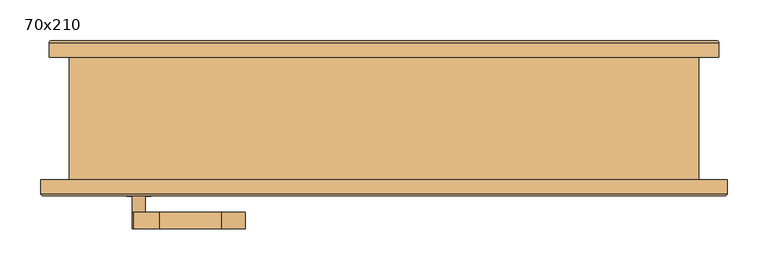
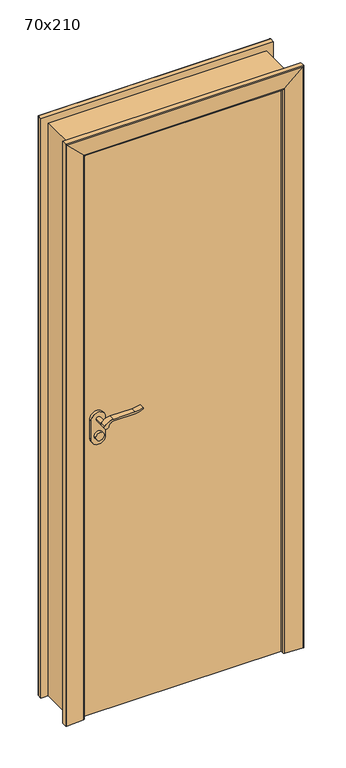
"""IFC4 building model written with IfcOpenShell, lengths in millimetres: door geometry, 70x210."""

from ifc_helpers import new_model, si_unit, point, frame, frame_2d, origin, origin_with_axes, place, context, project, spatial, polyline, circle_curve, ellipse_curve, trimmed, segment, composite_curve, outline, extrude, faceted_brep, source, transform, mapped, element, save
from ifc_brep_helpers import plane_surface, cylinder_surface, advanced_brep


def door_70x210_f9eeb151(model_context):
    return source(origin(), model_context, "Body", "SolidModel", [
        extrude(outline(composite_curve([segment(trimmed(circle_curve(frame_2d((1040.0, -300.0)), 15.0), [point((1040.0, -285.0))], [point((1040.0, -315.0))], False, "CARTESIAN"), True, "CONTINUOUS"), segment(trimmed(circle_curve(frame_2d((1040.0, -300.0)), 15.0), [point((1040.0, -315.0))], [point((1040.0, -285.0))], False, "CARTESIAN"), True, "CONTINUOUS")], self_intersect=False)), frame((0.0, -30.0, 0.0), z_axis=(0.0, 1.0, 0.0), x_axis=(0.0, 0.0, 1.0)), (0.0, 0.0, 1.0), 10.0),
        extrude(outline(composite_curve([segment(trimmed(circle_curve(frame_2d((1040.0, -300.0)), 15.0), [point((1040.0, -285.0))], [point((1040.0, -315.0))], False, "CARTESIAN"), True, "CONTINUOUS"), segment(trimmed(circle_curve(frame_2d((1040.0, -300.0)), 15.0), [point((1040.0, -315.0))], [point((1040.0, -285.0))], False, "CARTESIAN"), True, "CONTINUOUS")], self_intersect=False)), frame((0.0, -95.0, 0.0), z_axis=(0.0, 1.0, 0.0), x_axis=(0.0, 0.0, 1.0)), (0.0, 0.0, 1.0), 10.0),
        extrude(outline(composite_curve([segment(trimmed(circle_curve(frame_2d((1100.0, -300.0)), 8.0), [point((1104.6523287, -306.5081363))], [point((1100.0, -292.0))], False, "CARTESIAN"), True, "CONTINUOUS"), segment(trimmed(circle_curve(frame_2d((1094.8738613, -274.6138099)), 18.1261387), [point((1100.0, -292.0))], [point((1113.0, -274.6138099))], True, "CARTESIAN"), True, "CONTINUOUS"), segment(polyline([(1113.0, -274.6138099), (1113.0, -198.3564091)]), True, "CONTINUOUS"), segment(trimmed(circle_curve(frame_2d((1172.2709207, -201.9396612)), 59.3791355), [point((1113.0, -198.3564091))], [point((1122.2135558, -170.0))], False, "CARTESIAN"), True, "CONTINUOUS"), segment(polyline([(1122.2135558, -170.0), (1125.0, -170.0)]), True, "CONTINUOUS"), segment(trimmed(circle_curve(frame_2d((1203.2850638, -198.4227909)), 83.2850902), [point((1125.0, -170.0))], [point((1120.0, -198.3564091))], True, "CARTESIAN"), True, "CONTINUOUS"), segment(polyline([(1120.0, -198.3564091), (1120.0, -274.6325667)]), True, "CONTINUOUS"), segment(trimmed(circle_curve(frame_2d((1082.7555521, -276.3324871)), 37.2832219), [point((1120.0, -274.6325667))], [point((1104.6523287, -306.5081363))], False, "CARTESIAN"), True, "CONTINUOUS")], self_intersect=False)), frame((0.0, 0.0, 0.0), z_axis=(0.0, 1.0, 0.0), x_axis=(0.0, 0.0, 1.0)), (0.0, 0.0, 1.0), 20.0),
        extrude(outline(composite_curve([segment(trimmed(circle_curve(frame_2d((1094.8738682, -274.6138122)), 18.1261318), [point((1099.9999903, -292.0))], [point((1113.0, -274.6138122))], True, "CARTESIAN"), True, "CONTINUOUS"), segment(polyline([(1113.0, -274.6138122), (1113.0, -198.3564091)]), True, "CONTINUOUS"), segment(trimmed(circle_curve(frame_2d((1172.2709207, -201.9396612)), 59.3791355), [point((1113.0, -198.3564091))], [point((1122.2135558, -170.0))], False, "CARTESIAN"), True, "CONTINUOUS"), segment(polyline([(1122.2135558, -170.0), (1125.0, -170.0)]), True, "CONTINUOUS"), segment(trimmed(circle_curve(frame_2d((1203.2850638, -198.4227909)), 83.2850902), [point((1125.0, -170.0))], [point((1120.0, -198.3564091))], True, "CARTESIAN"), True, "CONTINUOUS"), segment(polyline([(1120.0, -198.3564091), (1120.0, -274.6325667)]), True, "CONTINUOUS"), segment(trimmed(circle_curve(frame_2d((1082.7555521, -276.3324871)), 37.2832219), [point((1120.0, -274.6325667))], [point((1104.6523287, -306.5081363))], False, "CARTESIAN"), True, "CONTINUOUS"), segment(trimmed(circle_curve(frame_2d((1100.0, -300.0)), 8.0), [point((1104.6523287, -306.5081363))], [point((1099.9999903, -292.0))], False, "CARTESIAN"), True, "CONTINUOUS")], self_intersect=False)), frame((0.0, -135.0, 0.0), z_axis=(0.0, 1.0, 0.0), x_axis=(0.0, 0.0, 1.0)), (0.0, 0.0, 1.0), 20.0),
        extrude(outline(composite_curve([segment(trimmed(circle_curve(frame_2d((1100.0, -300.0)), 8.0), [point((1100.0, -292.0))], [point((1100.0, -308.0))], False, "CARTESIAN"), True, "CONTINUOUS"), segment(trimmed(circle_curve(frame_2d((1100.0, -300.0)), 8.0), [point((1100.0, -308.0))], [point((1100.0, -292.0))], False, "CARTESIAN"), True, "CONTINUOUS")], self_intersect=False)), frame((0.0, -30.0, 0.0), z_axis=(0.0, 1.0, 0.0), x_axis=(0.0, 0.0, 1.0)), (0.0, 0.0, 1.0), 30.0),
        extrude(outline(composite_curve([segment(trimmed(circle_curve(frame_2d((1100.0, -300.0)), 8.0), [point((1100.0, -292.0))], [point((1100.0, -308.0))], False, "CARTESIAN"), True, "CONTINUOUS"), segment(trimmed(circle_curve(frame_2d((1100.0, -300.0)), 8.0), [point((1100.0, -308.0))], [point((1100.0, -292.0))], False, "CARTESIAN"), True, "CONTINUOUS")], self_intersect=False)), frame((0.0, -115.0, 0.0), z_axis=(0.0, 1.0, 0.0), x_axis=(0.0, 0.0, 1.0)), (0.0, 0.0, 1.0), 30.0),
        extrude(outline(composite_curve([segment(trimmed(circle_curve(frame_2d((1030.0, -300.0)), 25.0), [point((1030.0, -325.0))], [point((1030.0, -275.0))], False, "CARTESIAN"), True, "CONTINUOUS"), segment(polyline([(1030.0, -275.0), (1100.0, -275.0)]), True, "CONTINUOUS"), segment(trimmed(circle_curve(frame_2d((1100.0, -300.0)), 25.0), [point((1100.0, -275.0))], [point((1100.0, -325.0))], False, "CARTESIAN"), True, "CONTINUOUS"), segment(polyline([(1100.0, -325.0), (1030.0, -325.0)]), True, "CONTINUOUS")], self_intersect=False)), frame((0.0, -40.0, 0.0), z_axis=(0.0, 1.0, 0.0), x_axis=(0.0, 0.0, 1.0)), (0.0, 0.0, 1.0), 10.0),
        extrude(outline(composite_curve([segment(trimmed(circle_curve(frame_2d((1030.0, -300.0)), 25.0), [point((1030.0, -325.0))], [point((1030.0, -275.0))], False, "CARTESIAN"), True, "CONTINUOUS"), segment(polyline([(1030.0, -275.0), (1100.0, -275.0)]), True, "CONTINUOUS"), segment(trimmed(circle_curve(frame_2d((1100.0, -300.0)), 25.0), [point((1100.0, -275.0))], [point((1100.0, -325.0))], False, "CARTESIAN"), True, "CONTINUOUS"), segment(polyline([(1100.0, -325.0), (1030.0, -325.0)]), True, "CONTINUOUS")], self_intersect=False)), frame((0.0, -85.0, 0.0), z_axis=(0.0, 1.0, 0.0), x_axis=(0.0, 0.0, 1.0)), (0.0, 0.0, 1.0), 10.0),
        extrude(outline(polyline([(350.0, -40.0), (350.0, -75.0), (-350.0, -75.0), (-350.0, -40.0), (350.0, -40.0)])), origin_with_axes(), (0.0, 0.0, 1.0), 2100.0),
        advanced_brep(
        [(410.0, 75.0, 0.0), (340.0, 75.0, 0.0), (340.0, 85.0, 0.0), (345.0, 90.0, 0.0), (407.3082588, 94.792943, 0.0), (410.0, 92.3003068, 0.0), (410.0, 75.0, 2160.0), (-410.0, 75.0, 2160.0), (-410.0, 75.0, 0.0), (-340.0, 75.0, 0.0), (-340.0, 75.0, 2090.0), (340.0, 75.0, 2090.0), (340.0, 85.0, 2090.0), (345.0, 90.0, 2095.0), (407.3082588, 94.792943, 2157.3082588), (410.0, 92.3003068, 2160.0), (-410.0, 92.3003068, 2160.0), (-410.0, 92.3003068, 0.0), (-407.3082588, 94.792943, 0.0), (-345.0, 90.0, 0.0), (-340.0, 85.0, 0.0), (-340.0, 85.0, 2090.0), (-407.3082588, 94.792943, 2157.3082588), (-345.0, 90.0, 2095.0)],
        [
            (0, 1),
            (1, 2),
            (2, 3, circle_curve(frame((345.0, 85.0, 0.0), z_axis=(0.0, 0.0, -1.0), x_axis=(0.0, 1.0, 0.0)), 5.0)),
            (3, 4),
            (4, 5, circle_curve(frame((407.5, 92.3003068, 0.0), z_axis=(0.0, 0.0, -1.0), x_axis=(0.0, 1.0, 0.0)), 2.5)),
            (5, 0),
            (0, 6),
            (6, 7),
            (7, 8),
            (8, 9),
            (9, 10),
            (10, 11),
            (11, 1),
            (11, 12),
            (12, 2),
            (12, 13, ellipse_curve(frame((345.0, 85.0, 2095.0), z_axis=(0.7071067811865475, 0.0, -0.7071067811865475), x_axis=(-0.7071067811865474, 0.0, -0.7071067811865476)), 7.0710678, 5.0)),
            (13, 3),
            (13, 14),
            (14, 4),
            (14, 15, ellipse_curve(frame((407.5, 92.3003068, 2157.5), z_axis=(0.7071067811865475, 0.0, -0.7071067811865475), x_axis=(-0.7071067811865474, 0.0, -0.7071067811865476)), 3.5355339, 2.5)),
            (15, 5),
            (15, 6),
            (7, 16),
            (16, 17),
            (17, 8),
            (17, 18, circle_curve(frame((-407.5, 92.3003068, 0.0), z_axis=(0.0, 0.0, -1.0), x_axis=(0.0, 1.0, 0.0)), 2.5)),
            (18, 19),
            (19, 20, circle_curve(frame((-345.0, 85.0, 0.0), z_axis=(0.0, 0.0, -1.0), x_axis=(0.0, 1.0, 0.0)), 5.0)),
            (20, 9),
            (21, 10),
            (20, 21),
            (16, 22, ellipse_curve(frame((-407.5, 92.3003068, 2157.5), z_axis=(-0.7071067811865475, 0.0, -0.7071067811865475), x_axis=(-0.7071067811865474, 0.0, 0.7071067811865476)), 3.5355339, 2.5)),
            (22, 18),
            (22, 23),
            (23, 19),
            (23, 21, ellipse_curve(frame((-345.0, 85.0, 2095.0), z_axis=(-0.7071067811865475, 0.0, -0.7071067811865475), x_axis=(-0.7071067811865474, 0.0, 0.7071067811865476)), 7.0710678, 5.0)),
            (21, 12),
            (23, 13),
            (22, 14),
            (16, 15),
        ],
        [
            plane_surface(frame((340.0, 75.0, 0.0), z_axis=(0.0, 0.0, -1.0), x_axis=(-1.0, 0.0, 0.0))),
            plane_surface(frame((410.0, 75.0, 0.0), z_axis=(0.0, -1.0, 0.0), x_axis=(0.0, 0.0, 1.0))),
            plane_surface(frame((340.0, 75.0, 0.0), z_axis=(-1.0, 0.0, 0.0), x_axis=(0.0, 0.0, 1.0))),
            cylinder_surface(frame((345.0, 85.0, 0.0), z_axis=(0.0, 0.0, -1.0), x_axis=(0.0, 1.0, 0.0)), 5.0),
            plane_surface(frame((345.0, 90.0, 0.0), z_axis=(-0.07669649888474349, 0.9970544855015812, 0.0), x_axis=(0.0, 0.0, 1.0))),
            cylinder_surface(frame((407.5, 92.3003068, 0.0), z_axis=(0.0, 0.0, -1.0), x_axis=(0.0, 1.0, 0.0)), 2.5),
            plane_surface(frame((410.0, 92.3003068, 0.0), z_axis=(1.0, 0.0, 0.0), x_axis=(0.0, 0.0, 1.0))),
            plane_surface(frame((-410.0, 92.3003068, 2160.0), z_axis=(-1.0, 0.0, 0.0), x_axis=(0.0, 0.0, -1.0))),
            plane_surface(frame((-340.0, 75.0, 0.0), z_axis=(0.0, 0.0, -1.0), x_axis=(1.0, 0.0, 0.0))),
            plane_surface(frame((-340.0, 75.0, 2090.0), z_axis=(1.0, 0.0, 0.0), x_axis=(0.0, 0.0, -1.0))),
            cylinder_surface(frame((-407.5, 92.3003068, 2090.0), z_axis=(0.0, 0.0, 1.0), x_axis=(0.0, 1.0, 0.0)), 2.5),
            plane_surface(frame((-345.0, 90.0, 2095.0), z_axis=(0.07669649888474349, 0.9970544855015812, 0.0), x_axis=(0.0, 0.0, -1.0))),
            cylinder_surface(frame((-345.0, 85.0, 2090.0), z_axis=(0.0, 0.0, 1.0), x_axis=(0.0, 1.0, 0.0)), 5.0),
            plane_surface(frame((340.0, 75.0, 2090.0), z_axis=(0.0, 0.0, -1.0), x_axis=(-1.0, 0.0, 0.0))),
            cylinder_surface(frame((340.0, 85.0, 2095.0), z_axis=(1.0, 0.0, 0.0), x_axis=(0.0, 1.0, 0.0)), 5.0),
            plane_surface(frame((345.0, 90.0, 2095.0), z_axis=(0.0, 0.9970544855015812, -0.07669649888474349), x_axis=(-1.0, 0.0, 0.0))),
            cylinder_surface(frame((340.0, 92.3003068, 2157.5), z_axis=(1.0, 0.0, 0.0), x_axis=(0.0, 1.0, 0.0)), 2.5),
            plane_surface(frame((410.0, 92.3003068, 2160.0), z_axis=(0.0, 0.0, 1.0), x_axis=(-1.0, 0.0, 0.0))),
        ],
        [
            (0, [[1, 2, 3, 4, 5, 6]]),
            (1, [[-1, 7, 8, 9, 10, 11, 12, 13]]),
            (2, [[-2, -13, 14, 15]]),
            (3, [[-3, -15, 16, 17]]),
            (4, [[-4, -17, 18, 19]]),
            (5, [[-5, -19, 20, 21]]),
            (6, [[-6, -21, 22, -7]]),
            (7, [[23, 24, 25, -9]]),
            (8, [[-25, 26, 27, 28, 29, -10]]),
            (9, [[30, -11, -29, 31]]),
            (10, [[32, 33, -26, -24]]),
            (11, [[34, 35, -27, -33]]),
            (12, [[36, -31, -28, -35]]),
            (13, [[-14, -12, -30, 37]]),
            (14, [[-16, -37, -36, 38]]),
            (15, [[-18, -38, -34, 39]]),
            (16, [[-20, -39, -32, 40]]),
            (17, [[-22, -40, -23, -8]]),
        ],
    ),
        advanced_brep(
        [(420.0, -75.0, 0.0), (420.0, -92.3003068, 0.0), (417.3082588, -94.792943, 0.0), (355.0, -90.0, 0.0), (350.0, -85.0, 0.0), (350.0, -75.0, 0.0), (420.0, -75.0, 2170.0), (420.0, -92.3003068, 2170.0), (417.3082588, -94.792943, 2167.3082588), (355.0, -90.0, 2105.0), (350.0, -85.0, 2100.0), (350.0, -75.0, 2100.0), (-350.0, -75.0, 2100.0), (-350.0, -75.0, 0.0), (-420.0, -75.0, 0.0), (-420.0, -75.0, 2170.0), (-350.0, -85.0, 2100.0), (-350.0, -85.0, 0.0), (-355.0, -90.0, 0.0), (-417.3082588, -94.792943, 0.0), (-420.0, -92.3003068, 0.0), (-420.0, -92.3003068, 2170.0), (-355.0, -90.0, 2105.0), (-417.3082588, -94.792943, 2167.3082588)],
        [
            (0, 1),
            (1, 2, circle_curve(frame((417.5, -92.3003068, 0.0), z_axis=(0.0, 0.0, -1.0), x_axis=(0.0, -1.0, 0.0)), 2.5)),
            (2, 3),
            (3, 4, circle_curve(frame((355.0, -85.0, 0.0), z_axis=(0.0, 0.0, -1.0), x_axis=(0.0, -1.0, 0.0)), 5.0)),
            (4, 5),
            (5, 0),
            (0, 6),
            (6, 7),
            (7, 1),
            (7, 8, ellipse_curve(frame((417.5, -92.3003068, 2167.5), z_axis=(0.7071067811865475, 0.0, -0.7071067811865475), x_axis=(-0.7071067811865474, 0.0, -0.7071067811865476)), 3.5355339, 2.5)),
            (8, 2),
            (8, 9),
            (9, 3),
            (9, 10, ellipse_curve(frame((355.0, -85.0, 2105.0), z_axis=(0.7071067811865475, 0.0, -0.7071067811865475), x_axis=(-0.7071067811865474, 0.0, -0.7071067811865476)), 7.0710678, 5.0)),
            (10, 4),
            (10, 11),
            (11, 5),
            (11, 12),
            (12, 13),
            (13, 14),
            (14, 15),
            (15, 6),
            (12, 16),
            (16, 17),
            (17, 13),
            (17, 18, circle_curve(frame((-355.0, -85.0, 0.0), z_axis=(0.0, 0.0, -1.0), x_axis=(0.0, -1.0, 0.0)), 5.0)),
            (18, 19),
            (19, 20, circle_curve(frame((-417.5, -92.3003068, 0.0), z_axis=(0.0, 0.0, -1.0), x_axis=(0.0, -1.0, 0.0)), 2.5)),
            (20, 14),
            (21, 15),
            (20, 21),
            (16, 22, ellipse_curve(frame((-355.0, -85.0, 2105.0), z_axis=(-0.7071067811865475, 0.0, -0.7071067811865475), x_axis=(-0.7071067811865474, 0.0, 0.7071067811865476)), 7.0710678, 5.0)),
            (22, 18),
            (22, 23),
            (23, 19),
            (23, 21, ellipse_curve(frame((-417.5, -92.3003068, 2167.5), z_axis=(-0.7071067811865475, 0.0, -0.7071067811865475), x_axis=(-0.7071067811865474, 0.0, 0.7071067811865476)), 3.5355339, 2.5)),
            (21, 7),
            (23, 8),
            (22, 9),
            (16, 10),
        ],
        [
            plane_surface(frame((350.0, -75.0, 0.0), z_axis=(0.0, 0.0, -1.0), x_axis=(-1.0, 0.0, 0.0))),
            plane_surface(frame((420.0, -75.0, 0.0), z_axis=(1.0, 0.0, 0.0), x_axis=(0.0, 0.0, 1.0))),
            cylinder_surface(frame((417.5, -92.3003068, 0.0), z_axis=(0.0, 0.0, -1.0), x_axis=(0.0, -1.0, 0.0)), 2.5),
            plane_surface(frame((417.3082588, -94.792943, 0.0), z_axis=(-0.07669649888474349, -0.9970544855015812, 0.0), x_axis=(0.0, 0.0, 1.0))),
            cylinder_surface(frame((355.0, -85.0, 0.0), z_axis=(0.0, 0.0, -1.0), x_axis=(0.0, -1.0, 0.0)), 5.0),
            plane_surface(frame((350.0, -85.0, 0.0), z_axis=(-1.0, 0.0, 0.0), x_axis=(0.0, 0.0, 1.0))),
            plane_surface(frame((350.0, -75.0, 0.0), z_axis=(0.0, 1.0, 0.0), x_axis=(0.0, 0.0, 1.0))),
            plane_surface(frame((-350.0, -85.0, 2100.0), z_axis=(1.0, 0.0, 0.0), x_axis=(0.0, 0.0, -1.0))),
            plane_surface(frame((-350.0, -75.0, 0.0), z_axis=(0.0, 0.0, -1.0), x_axis=(1.0, 0.0, 0.0))),
            plane_surface(frame((-420.0, -75.0, 2170.0), z_axis=(-1.0, 0.0, 0.0), x_axis=(0.0, 0.0, -1.0))),
            cylinder_surface(frame((-355.0, -85.0, 2100.0), z_axis=(0.0, 0.0, 1.0), x_axis=(0.0, -1.0, 0.0)), 5.0),
            plane_surface(frame((-417.3082588, -94.792943, 2167.3082588), z_axis=(0.07669649888474349, -0.9970544855015812, 0.0), x_axis=(0.0, 0.0, -1.0))),
            cylinder_surface(frame((-417.5, -92.3003068, 2100.0), z_axis=(0.0, 0.0, 1.0), x_axis=(0.0, -1.0, 0.0)), 2.5),
            plane_surface(frame((420.0, -75.0, 2170.0), z_axis=(0.0, 0.0, 1.0), x_axis=(-1.0, 0.0, 0.0))),
            cylinder_surface(frame((350.0, -92.3003068, 2167.5), z_axis=(1.0, 0.0, 0.0), x_axis=(0.0, -1.0, 0.0)), 2.5),
            plane_surface(frame((417.3082588, -94.792943, 2167.3082588), z_axis=(0.0, -0.9970544855015812, -0.07669649888474347), x_axis=(-1.0, 0.0, 0.0))),
            cylinder_surface(frame((350.0, -85.0, 2105.0), z_axis=(1.0, 0.0, 0.0), x_axis=(0.0, -1.0, 0.0)), 5.0),
            plane_surface(frame((350.0, -85.0, 2100.0), z_axis=(0.0, 0.0, -1.0), x_axis=(-1.0, 0.0, 0.0))),
        ],
        [
            (0, [[1, 2, 3, 4, 5, 6]]),
            (1, [[-1, 7, 8, 9]]),
            (2, [[-2, -9, 10, 11]]),
            (3, [[-3, -11, 12, 13]]),
            (4, [[-4, -13, 14, 15]]),
            (5, [[-5, -15, 16, 17]]),
            (6, [[-6, -17, 18, 19, 20, 21, 22, -7]]),
            (7, [[23, 24, 25, -19]]),
            (8, [[-20, -25, 26, 27, 28, 29]]),
            (9, [[30, -21, -29, 31]]),
            (10, [[32, 33, -26, -24]]),
            (11, [[34, 35, -27, -33]]),
            (12, [[36, -31, -28, -35]]),
            (13, [[-8, -22, -30, 37]]),
            (14, [[-10, -37, -36, 38]]),
            (15, [[-12, -38, -34, 39]]),
            (16, [[-14, -39, -32, 40]]),
            (17, [[-16, -40, -23, -18]]),
        ],
    ),
        faceted_brep([(340.0, 75.0, 0.0), (385.0, 75.0, 0.0), (385.0, -75.0, 0.0), (350.0, -75.0, 0.0), (350.0, -40.0, 0.0), (340.0, -40.0, 0.0), (340.0, 75.0, 2090.0), (-340.0, 75.0, 2090.0), (-340.0, 75.0, 0.0), (-385.0, 75.0, 0.0), (-385.0, 75.0, 2135.0), (385.0, 75.0, 2135.0), (385.0, -75.0, 2135.0), (-385.0, -75.0, 2135.0), (-385.0, -75.0, 0.0), (-350.0, -75.0, 0.0), (-350.0, -75.0, 2100.0), (350.0, -75.0, 2100.0), (350.0, -40.0, 2100.0), (-350.0, -40.0, 2100.0), (-350.0, -40.0, 0.0), (-340.0, -40.0, 0.0), (-340.0, -40.0, 2090.0), (340.0, -40.0, 2090.0)], [[[0, 1, 2, 3, 4, 5]], [[1, 0, 6, 7, 8, 9, 10, 11]], [[2, 1, 11, 12]], [[3, 2, 12, 13, 14, 15, 16, 17]], [[4, 3, 17, 18]], [[5, 4, 18, 19, 20, 21, 22, 23]], [[0, 5, 23, 6]], [[7, 22, 21, 8]], [[8, 21, 20, 15, 14, 9]], [[13, 10, 9, 14]], [[19, 16, 15, 20]], [[12, 11, 10, 13]], [[18, 17, 16, 19]], [[6, 23, 22, 7]]]),
    ])


if __name__ == "__main__":
    model = new_model("IFC4")
    model_context = context("Model", 3, world=origin())
    ifc_project = project(units=[si_unit("LENGTHUNIT", "METRE", prefix="MILLI")], contexts=[model_context])
    site = spatial("IfcSite", under=ifc_project)
    building = spatial("IfcBuilding", under=site)
    placement = place(None, origin())
    door_70x210_shape = door_70x210_f9eeb151(model_context)
    element("IfcDoor", 1, ObjectType="70x210", at=placement, inside=building, context=model_context, shape_type="MappedRepresentation", body=[
        mapped(door_70x210_shape, transform((0.0, 0.0, 0.0), x_axis=(1.0, 0.0, 0.0), y_axis=(0.0, 1.0, 0.0), z_axis=(0.0, 0.0, 1.0))),
    ])
    save(model, "model.ifc")
